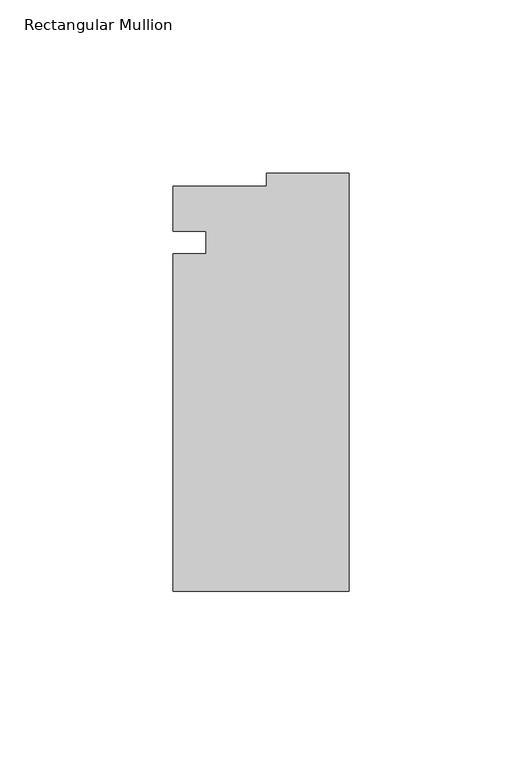
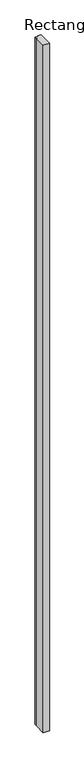
"""IFC4 building model written with IfcOpenShell, lengths in millimetres: member geometry, Rectangular Mullion."""

from ifc_helpers import new_model, si_unit, frame, origin, place, context, project, spatial, polyline, outline, extrude, source, transform, mapped, element, save


def rectangular_mullion_00cd24c7(model_context):
    return source(origin(), model_context, "Body", "SweptSolid", [
        extrude(outline(polyline([(-50.8, -60.04353), (-50.8, 37.3816454), (-41.275, 37.3816454), (-41.275, 43.8218838), (-50.7758192, 43.8218838), (-50.7758192, 56.80663), (-23.7756192, 56.80663), (-23.7756192, 60.60647), (0.0, 60.60647), (0.0, -60.04353), (-50.8, -60.04353)])), frame((0.0, 0.0, -6000.75), z_axis=(0.0, 0.0, 1.0), x_axis=(1.0, 0.0, 0.0)), (0.0, 0.0, 1.0), 6000.75),
    ])


if __name__ == "__main__":
    model = new_model("IFC4")
    model_context = context("Model", 3, world=origin())
    ifc_project = project(units=[si_unit("LENGTHUNIT", "METRE", prefix="MILLI")], contexts=[model_context])
    site = spatial("IfcSite", under=ifc_project)
    building = spatial("IfcBuilding", under=site)
    placement = place(None, origin())
    rectangular_mullion_shape = rectangular_mullion_00cd24c7(model_context)
    element("IfcMember", 1, ObjectType="Rectangular Mullion", at=placement, inside=building, context=model_context, shape_type="MappedRepresentation", body=[
        mapped(rectangular_mullion_shape, transform((0.0, 0.0, 0.0), x_axis=(1.0, 0.0, 0.0), y_axis=(0.0, 1.0, 0.0), z_axis=(0.0, 0.0, 1.0))),
    ])
    save(model, "model.ifc")
